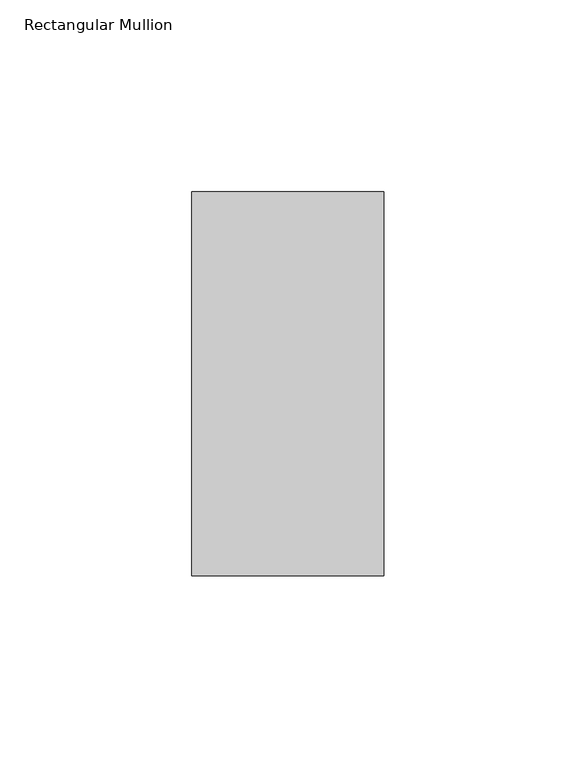
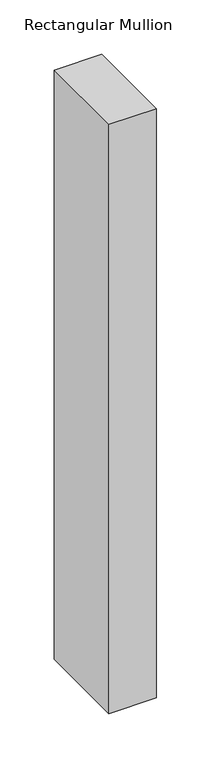
"""IFC4 building model written with IfcOpenShell, lengths in millimetres: member geometry, Rectangular Mullion."""

from ifc_helpers import new_model, si_unit, frame, origin, place, context, project, spatial, polyline, outline, extrude, source, transform, mapped, element, save


def rectangular_mullion_f5d6e95b(model_context):
    return source(origin(), model_context, "Body", "SweptSolid", [
        extrude(outline(polyline([(25.0, 31.0), (25.0, -69.0), (-25.0, -69.0), (-25.0, 31.0), (25.0, 31.0)])), frame((0.0, 0.0, -660.0), z_axis=(0.0, 0.0, 1.0), x_axis=(1.0, 0.0, 0.0)), (0.0, 0.0, 1.0), 660.0),
    ])


if __name__ == "__main__":
    model = new_model("IFC4")
    model_context = context("Model", 3, world=origin())
    ifc_project = project(units=[si_unit("LENGTHUNIT", "METRE", prefix="MILLI")], contexts=[model_context])
    site = spatial("IfcSite", under=ifc_project)
    building = spatial("IfcBuilding", under=site)
    placement = place(None, origin())
    rectangular_mullion_shape = rectangular_mullion_f5d6e95b(model_context)
    element("IfcMember", 1, ObjectType="Rectangular Mullion", at=placement, inside=building, context=model_context, shape_type="MappedRepresentation", body=[
        mapped(rectangular_mullion_shape, transform((0.0, 0.0, 0.0), x_axis=(1.0, 0.0, 0.0), y_axis=(0.0, 1.0, 0.0), z_axis=(0.0, 0.0, 1.0))),
    ])
    save(model, "model.ifc")
